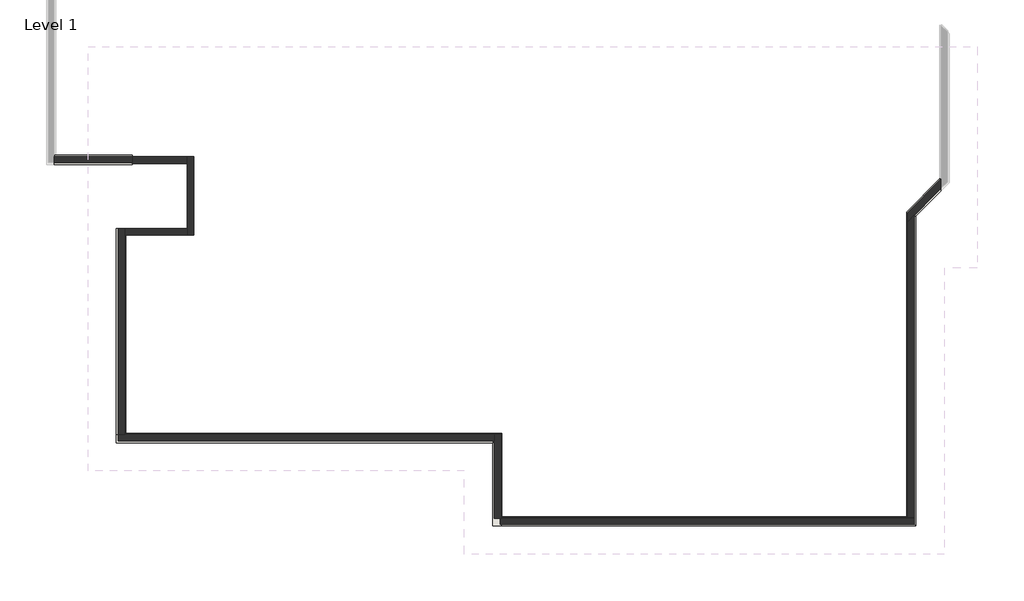
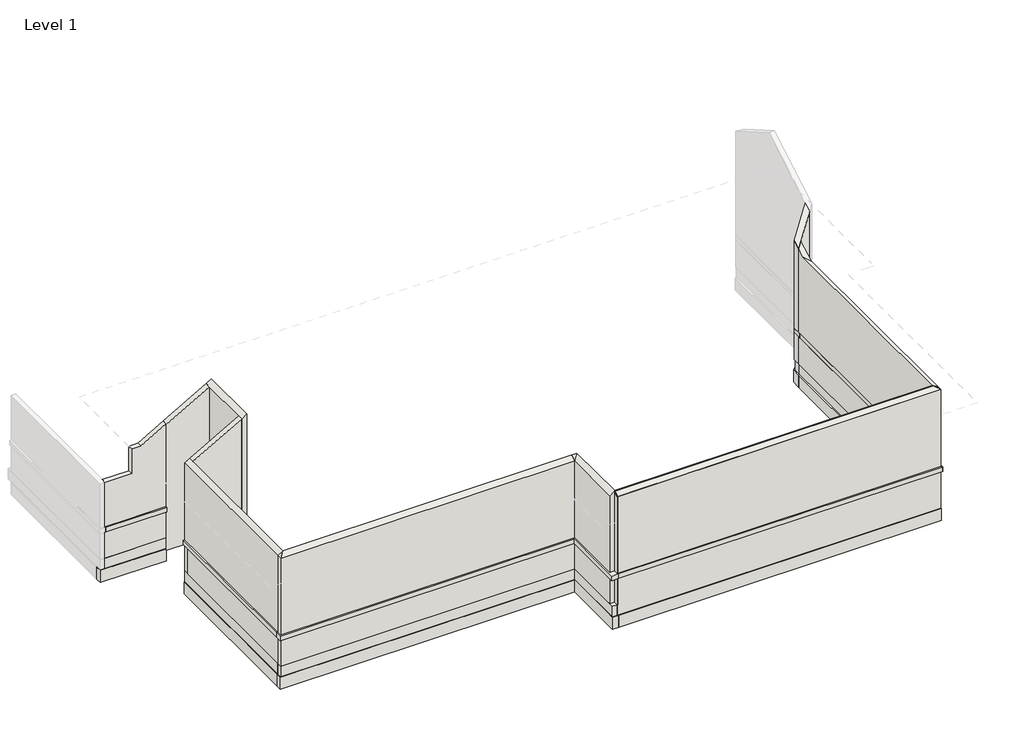
# One storey, part 1 of 2: 38 walls.
"""IFC4 building model written with IfcOpenShell, lengths in millimetres."""

from ifc_helpers import new_model, si_unit, frame, origin, origin_with_axes, place, context, project, spatial, polyline, outline, extrude, faceted_brep, element, save

model = new_model("IFC4")

# Units and contexts
model_context = context("Model", 3, world=origin())
ifc_project = project(units=[si_unit("LENGTHUNIT", "METRE", prefix="MILLI")], contexts=[model_context])

# Site, building, storey
site = spatial("IfcSite", under=ifc_project)
building = spatial("IfcBuilding", under=site)
storey = spatial("IfcBuildingStorey", under=building, Name="Level 1", Elevation=0.0)

# Walls
placement = place(None, origin())
element("IfcWall", 1, at=placement, inside=storey, context=model_context, shape_type="Brep", body=[
    faceted_brep([(-9482.9141778, 9087.0549221, 0.0), (-9482.9141778, 9102.0549221, 0.0), (-9482.9141778, 10637.0549221, 0.0), (-9482.9141778, 10637.0549221, 670.0), (-9482.9141778, 9087.0549221, 670.0), (-9607.9141778, 9087.0549221, 0.0), (-9607.9141778, 9087.0549221, 670.0), (-9607.9141778, 10512.0549221, 670.0), (-9607.9141778, 10637.0549221, 670.0), (-9607.9141778, 10637.0549221, 0.0), (-9607.9141778, 10622.0549221, 0.0), (-9607.9141778, 10512.0549221, 0.0)], [[[0, 1, 2, 3, 4]], [[5, 6, 7, 8, 9, 10, 11]], [[2, 1, 0, 5, 11, 10, 9]], [[0, 4, 6, 5]], [[3, 2, 9, 8]], [[4, 3, 8, 7, 6]]]),
])
element("IfcWall", 2, at=placement, inside=storey, context=model_context, shape_type="Brep", body=[
    faceted_brep([(-9482.9141778, 8947.0549221, 670.0), (-9482.9141778, 9087.0549221, 670.0), (-9482.9141778, 9102.0549221, 670.0), (-9482.9141778, 10637.0549221, 670.0), (-9482.9141778, 10637.0549221, 780.0), (-9482.9141778, 9102.0549221, 780.0), (-9482.9141778, 9087.0549221, 780.0), (-9482.9141778, 8947.0549221, 780.0), (-9637.9141778, 8947.0549221, 670.0), (-9637.9141778, 8947.0549221, 780.0), (-9637.9141778, 10482.0549221, 780.0), (-9637.9141778, 10637.0549221, 780.0), (-9637.9141778, 10637.0549221, 670.0), (-9637.9141778, 10482.0549221, 670.0), (-9607.9141778, 10637.0549221, 670.0), (-9607.9141778, 10637.0549221, 780.0)], [[[0, 1, 2, 3, 4, 5, 6, 7]], [[8, 9, 10, 11, 12, 13]], [[3, 2, 1, 0, 8, 13, 12, 14]], [[0, 7, 9, 8]], [[4, 3, 14, 12, 11, 15]], [[7, 6, 5, 4, 15, 11, 10, 9]]]),
])
element("IfcWall", 3, at=placement, inside=storey, context=model_context, shape_type="Brep", body=[
    faceted_brep([(-9482.9141778, 9087.0549221, 780.0), (-9482.9141778, 9102.0549221, 780.0), (-9482.9141778, 10637.0549221, 780.0), (-9482.9141778, 10637.0549221, 2763.3012702), (-9482.9141778, 9102.0549221, 2763.3012702), (-9482.9141778, 9087.0549221, 2754.6410162), (-9607.9141778, 9087.0549221, 780.0), (-9607.9141778, 9087.0549221, 2691.1324865), (-9607.9141778, 10512.0549221, 2691.1324865), (-9607.9141778, 10637.0549221, 2763.3012702), (-9607.9141778, 10637.0549221, 780.0), (-9607.9141778, 10512.0549221, 780.0), (-9497.9141778, 9087.0549221, 2754.6410162)], [[[0, 1, 2, 3, 4, 5]], [[6, 7, 8, 9, 10, 11]], [[2, 1, 0, 6, 11, 10]], [[3, 2, 10, 9]], [[0, 5, 12, 7, 6]], [[5, 4, 12]], [[4, 3, 8, 7, 12]], [[3, 9, 8]]]),
])
element("IfcWall", 4, at=placement, inside=storey, context=model_context, shape_type="Brep", body=[
    faceted_brep([(-9607.9141778, 10637.0549221, 0.0), (-16407.9141778, 10637.0549221, 0.0), (-16532.9141778, 10637.0549221, 0.0), (-16532.9141778, 10637.0549221, 670.0), (-16407.9141778, 10637.0549221, 670.0), (-9637.9141778, 10637.0549221, 670.0), (-9607.9141778, 10637.0549221, 670.0), (-9607.9141778, 10512.0549221, 0.0), (-9607.9141778, 10512.0549221, 670.0), (-16532.9141778, 10512.0549221, 670.0), (-16532.9141778, 10512.0549221, 0.0), (-9607.9141778, 10622.0549221, 0.0), (-16532.9141778, 10622.0549221, 0.0)], [[[0, 1, 2, 3, 4, 5, 6]], [[7, 8, 9, 10]], [[2, 1, 0, 11, 7, 10, 12]], [[0, 6, 8, 7, 11]], [[3, 2, 12, 10, 9]], [[6, 5, 4, 3, 9, 8]]]),
])
element("IfcWall", 5, at=placement, inside=storey, context=model_context, shape_type="Brep", body=[
    faceted_brep([(-9637.9141778, 10637.0549221, 670.0), (-16407.9141778, 10637.0549221, 670.0), (-16532.9141778, 10637.0549221, 670.0), (-16562.9141778, 10637.0549221, 670.0), (-16562.9141778, 10637.0549221, 780.0), (-16532.9141778, 10637.0549221, 780.0), (-16407.9141778, 10637.0549221, 780.0), (-9637.9141778, 10637.0549221, 780.0), (-9637.9141778, 10482.0549221, 670.0), (-9637.9141778, 10482.0549221, 780.0), (-16562.9141778, 10482.0549221, 780.0), (-16562.9141778, 10482.0549221, 670.0)], [[[0, 1, 2, 3, 4, 5, 6, 7]], [[8, 9, 10, 11]], [[3, 2, 1, 0, 8, 11]], [[0, 7, 9, 8]], [[4, 3, 11, 10]], [[7, 6, 5, 4, 10, 9]]]),
])
element("IfcWall", 6, at=placement, inside=storey, context=model_context, shape_type="Brep", body=[
    faceted_brep([(-9607.9141778, 10637.0549221, 780.0), (-9637.9141778, 10637.0549221, 780.0), (-16407.9141778, 10637.0549221, 780.0), (-16532.9141778, 10637.0549221, 780.0), (-16532.9141778, 10637.0549221, 2691.1324865), (-16407.9141778, 10637.0549221, 2763.3012702), (-9607.9141778, 10637.0549221, 2763.3012702), (-9607.9141778, 10512.0549221, 780.0), (-9607.9141778, 10512.0549221, 2691.1324865), (-16532.9141778, 10512.0549221, 2691.1324865), (-16532.9141778, 10512.0549221, 780.0)], [[[0, 1, 2, 3, 4, 5, 6]], [[7, 8, 9, 10]], [[3, 2, 1, 0, 7, 10]], [[0, 6, 8, 7]], [[4, 3, 10, 9]], [[6, 5, 9, 8]], [[5, 4, 9]]]),
])
element("IfcWall", 7, at=placement, inside=storey, context=model_context, shape_type="Brep", body=[
    faceted_brep([(-16407.9141778, 10637.0549221, 0.0), (-16407.9141778, 14301.8512875, 0.0), (-16407.9141778, 14301.8512875, 670.0), (-16407.9141778, 10637.0549221, 670.0), (-16532.9141778, 10637.0549221, 0.0), (-16532.9141778, 10637.0549221, 670.0), (-16532.9141778, 14301.8512875, 670.0), (-16532.9141778, 14301.8512875, 0.0), (-16422.9141778, 14301.8512875, 0.0)], [[[0, 1, 2, 3]], [[4, 5, 6, 7]], [[1, 0, 4, 7, 8]], [[2, 1, 8, 7, 6]], [[0, 3, 5, 4]], [[3, 2, 6, 5]]]),
])
element("IfcWall", 8, at=placement, inside=storey, context=model_context, shape_type="Brep", body=[
    faceted_brep([(-16407.9141778, 10637.0549221, 670.0), (-16407.9141778, 14301.8512875, 670.0), (-16407.9141778, 14426.8512875, 670.0), (-16407.9141778, 14426.8512875, 780.0), (-16407.9141778, 10637.0549221, 780.0), (-16562.9141778, 10637.0549221, 670.0), (-16562.9141778, 10637.0549221, 780.0), (-16562.9141778, 14426.8512875, 780.0), (-16562.9141778, 14426.8512875, 670.0), (-16532.9141778, 10637.0549221, 670.0), (-16532.9141778, 14426.8512875, 670.0), (-16532.9141778, 14426.8512875, 780.0), (-16532.9141778, 10637.0549221, 780.0)], [[[0, 1, 2, 3, 4]], [[5, 6, 7, 8]], [[2, 1, 0, 9, 5, 8, 10]], [[3, 2, 10, 8, 7, 11]], [[0, 4, 12, 6, 5, 9]], [[4, 3, 11, 7, 6, 12]]]),
])
element("IfcWall", 9, at=placement, inside=storey, context=model_context, shape_type="Brep", body=[
    faceted_brep([(-16407.9141778, 10637.0549221, 780.0), (-16407.9141778, 14426.8512875, 780.0), (-16407.9141778, 14426.8512875, 2763.3012702), (-16407.9141778, 14301.8512875, 2763.3012702), (-16407.9141778, 10637.0549221, 2763.3012702), (-16532.9141778, 10637.0549221, 780.0), (-16532.9141778, 10637.0549221, 2691.1324865), (-16532.9141778, 14426.8512875, 2691.1324865), (-16532.9141778, 14426.8512875, 780.0)], [[[0, 1, 2, 3, 4]], [[5, 6, 7, 8]], [[1, 0, 5, 8]], [[2, 1, 8, 7]], [[0, 4, 6, 5]], [[4, 3, 2, 7, 6]]]),
])
element("IfcWall", 10, at=placement, inside=storey, context=model_context, shape_type="Brep", body=[
    faceted_brep([(-16392.9141778, 14301.8512875, -300.0), (-15262.9141778, 14301.8512875, -300.0), (-15262.9141778, 14301.8512875, 3424.3673284), (-16407.9141778, 14301.8512875, 2763.3012702), (-16407.9141778, 14301.8512875, 670.0), (-16532.9141778, 14301.8512875, 670.0), (-16532.9141778, 14301.8512875, 0.0), (-16422.9141778, 14301.8512875, 0.0), (-16422.9141778, 14301.8512875, -260.0), (-16392.9141778, 14301.8512875, -260.0), (-15262.9141778, 14426.8512875, -300.0), (-16392.9141778, 14426.8512875, -300.0), (-16392.9141778, 14426.8512875, -260.0), (-16422.9141778, 14426.8512875, -260.0), (-16422.9141778, 14426.8512875, 0.0), (-16532.9141778, 14426.8512875, 0.0), (-16532.9141778, 14426.8512875, 670.0), (-16407.9141778, 14426.8512875, 670.0), (-16407.9141778, 14426.8512875, 780.0), (-16407.9141778, 14426.8512875, 2763.3012702), (-15262.9141778, 14426.8512875, 3424.3673284)], [[[0, 1, 2, 3, 4, 5, 6, 7, 8, 9]], [[10, 11, 12, 13, 14, 15, 16, 17, 18, 19, 20]], [[1, 0, 11, 10]], [[2, 1, 10, 20]], [[13, 12, 9, 8]], [[15, 14, 7, 6]], [[17, 16, 5, 4]], [[0, 9, 12, 11]], [[8, 7, 14, 13]], [[6, 5, 16, 15]], [[17, 4, 3, 19, 18]], [[3, 2, 20, 19]]]),
])
element("IfcWall", 11, at=placement, inside=storey, context=model_context, shape_type="Brep", body=[
    faceted_brep([(-15137.9141778, 14301.8512875, -300.0), (-15137.9141778, 15746.8512875, -300.0), (-15137.9141778, 15746.8512875, 3496.5361121), (-15137.9141778, 14301.8512875, 3496.5361121), (-15262.9141778, 15746.8512875, -300.0), (-15262.9141778, 15616.8512875, -300.0), (-15262.9141778, 14426.8512875, -300.0), (-15262.9141778, 14301.8512875, -300.0), (-15262.9141778, 14301.8512875, 3424.3673284), (-15262.9141778, 14426.8512875, 3424.3673284), (-15262.9141778, 15616.8512875, 3424.3673284), (-15262.9141778, 15746.8512875, 3424.3673284)], [[[0, 1, 2, 3]], [[4, 5, 6, 7, 8, 9, 10, 11]], [[1, 0, 7, 6, 5, 4]], [[7, 0, 3, 8]], [[2, 1, 4, 11]], [[3, 2, 11, 10, 9, 8]]]),
])
element("IfcWall", 12, at=placement, inside=storey, context=model_context, shape_type="Brep", body=[
    faceted_brep([(-15262.9141778, 15746.8512875, -300.0), (-16273.0444316, 15746.8512875, -300.0), (-16273.0444316, 15746.8512875, 670.0), (-16273.0444316, 15746.8512875, 780.0), (-16273.0444316, 15746.8512875, 2841.1683545), (-15262.9141778, 15746.8512875, 3424.3673284), (-15262.9141778, 15616.8512875, -300.0), (-15262.9141778, 15616.8512875, 3424.3673284), (-16273.0444316, 15616.8512875, 2841.1683545), (-16273.0444316, 15616.8512875, -300.0), (-16273.0444316, 15636.8512875, 2841.1683545)], [[[0, 1, 2, 3, 4, 5]], [[6, 7, 8, 9]], [[1, 0, 6, 9]], [[0, 5, 7, 6]], [[1, 9, 8, 10, 4, 3, 2]], [[5, 4, 10, 8, 7]]]),
])
element("IfcWall", 13, at=placement, inside=storey, context=model_context, shape_type="Brep", body=[
    faceted_brep([(-16422.9141778, 10622.0549221, -260.0), (-16422.9141778, 14301.8512875, -260.0), (-16422.9141778, 14426.8512875, -260.0), (-16422.9141778, 14426.8512875, 0.0), (-16422.9141778, 14301.8512875, 0.0), (-16422.9141778, 10622.0549221, 0.0), (-16532.9141778, 10622.0549221, -260.0), (-16532.9141778, 10622.0549221, 0.0), (-16532.9141778, 10637.0549221, 0.0), (-16532.9141778, 14301.8512875, 0.0), (-16532.9141778, 14426.8512875, 0.0), (-16532.9141778, 14426.8512875, -260.0)], [[[0, 1, 2, 3, 4, 5]], [[6, 7, 8, 9, 10, 11]], [[2, 1, 0, 6, 11]], [[3, 2, 11, 10]], [[0, 5, 7, 6]], [[5, 4, 3, 10, 9, 8, 7]]]),
])
element("IfcWall", 14, at=placement, inside=storey, context=model_context, shape_type="Brep", body=[
    faceted_brep([(-9607.9141778, 10622.0549221, -260.0), (-16422.9141778, 10622.0549221, -260.0), (-16532.9141778, 10622.0549221, -260.0), (-16532.9141778, 10622.0549221, 0.0), (-16422.9141778, 10622.0549221, 0.0), (-9607.9141778, 10622.0549221, 0.0), (-9607.9141778, 10512.0549221, -260.0), (-9607.9141778, 10512.0549221, 0.0), (-16532.9141778, 10512.0549221, 0.0), (-16532.9141778, 10512.0549221, -260.0)], [[[0, 1, 2, 3, 4, 5]], [[6, 7, 8, 9]], [[2, 1, 0, 6, 9]], [[0, 5, 7, 6]], [[3, 2, 9, 8]], [[5, 4, 3, 8, 7]]]),
])
element("IfcWall", 15, at=placement, inside=storey, context=model_context, shape_type="Brep", body=[
    faceted_brep([(-9497.9141778, 8977.0549221, -260.0), (-9497.9141778, 9087.0549221, -260.0), (-9497.9141778, 10622.0549221, -260.0), (-9497.9141778, 10622.0549221, 0.0), (-9497.9141778, 8977.0549221, 0.0), (-9607.9141778, 8977.0549221, -260.0), (-9607.9141778, 8977.0549221, 0.0), (-9607.9141778, 9087.0549221, 0.0), (-9607.9141778, 10512.0549221, 0.0), (-9607.9141778, 10622.0549221, 0.0), (-9607.9141778, 10622.0549221, -260.0), (-9607.9141778, 10512.0549221, -260.0)], [[[0, 1, 2, 3, 4]], [[5, 6, 7, 8, 9, 10, 11]], [[2, 1, 0, 5, 11, 10]], [[0, 4, 6, 5]], [[3, 2, 10, 9]], [[4, 3, 9, 8, 7, 6]]]),
])
element("IfcWall", 16, at=placement, inside=storey, context=model_context, shape_type="Brep", body=[
    faceted_brep([(-1377.9483285, 15328.4104976, -260.0), (-1990.0766646, 14716.2821615, -260.0), (-1990.0766646, 14716.2821615, 0.0), (-1377.9483285, 15328.4104976, 0.0), (-1377.9483285, 15172.8470057, -260.0), (-1377.9483285, 15172.8470057, 0.0), (-1392.9483285, 15157.8470057, 0.0), (-1880.0766646, 14670.7186696, 0.0), (-1990.0766646, 14560.7186696, 0.0), (-1990.0766646, 14560.7186696, -260.0), (-1880.0766646, 14670.7186696, -260.0)], [[[0, 1, 2, 3]], [[4, 5, 6, 7, 8, 9, 10]], [[1, 0, 4, 10, 9]], [[0, 3, 5, 4]], [[2, 1, 9, 8]], [[3, 2, 8, 7, 6, 5]]]),
])
element("IfcWall", 17, at=placement, inside=storey, context=model_context, shape_type="Brep", body=[
    faceted_brep([(-1392.9483285, 15334.623701, 0.0), (-2005.0766646, 14722.4953649, 0.0), (-2005.0766646, 14722.4953649, 670.0), (-1392.9483285, 15334.623701, 670.0), (-1392.9483285, 15157.8470057, 0.0), (-1392.9483285, 15157.8470057, 670.0), (-1880.0766646, 14670.7186696, 670.0), (-2005.0766646, 14545.7186696, 670.0), (-2005.0766646, 14545.7186696, 0.0), (-1990.0766646, 14560.7186696, 0.0), (-1880.0766646, 14670.7186696, 0.0)], [[[0, 1, 2, 3]], [[4, 5, 6, 7, 8, 9, 10]], [[1, 0, 4, 10, 9, 8]], [[0, 3, 5, 4]], [[2, 1, 8, 7]], [[3, 2, 7, 6, 5]]]),
])
element("IfcWall", 18, at=placement, inside=storey, context=model_context, shape_type="Brep", body=[
    faceted_brep([(-1392.9483285, 15334.623701, 670.0), (-2005.0766646, 14722.4953649, 670.0), (-2005.0766646, 14722.4953649, 780.0), (-1392.9483285, 15334.623701, 780.0), (-1392.9483285, 15115.4205989, 670.0), (-1392.9483285, 15115.4205989, 780.0), (-1850.0766646, 14658.2922627, 780.0), (-2005.0766646, 14503.2922627, 780.0), (-2005.0766646, 14503.2922627, 670.0), (-1850.0766646, 14658.2922627, 670.0), (-1392.9483285, 15157.8470057, 670.0), (-2005.0766646, 14545.7186696, 670.0), (-1392.9483285, 15157.8470057, 780.0), (-2005.0766646, 14545.7186696, 780.0)], [[[0, 1, 2, 3]], [[4, 5, 6, 7, 8, 9]], [[1, 0, 10, 4, 9, 8, 11]], [[0, 3, 12, 5, 4, 10]], [[2, 1, 11, 8, 7, 13]], [[3, 2, 13, 7, 6, 5, 12]]]),
])
element("IfcWall", 19, at=placement, inside=storey, context=model_context, shape_type="Brep", body=[
    faceted_brep([(-1392.9483285, 15334.623701, 780.0), (-2005.0766646, 14722.4953649, 780.0), (-2005.0766646, 14722.4953649, 2962.8589713), (-1392.9483285, 15334.623701, 3316.2714309), (-1392.9483285, 15157.8470057, 780.0), (-1392.9483285, 15157.8470057, 3214.2093583), (-1880.0766646, 14670.7186696, 2932.9656823), (-2005.0766646, 14545.7186696, 2860.7968987), (-2005.0766646, 14545.7186696, 780.0), (-1880.0766646, 14670.7186696, 780.0)], [[[0, 1, 2, 3]], [[4, 5, 6, 7, 8, 9]], [[1, 0, 4, 9, 8]], [[0, 3, 5, 4]], [[2, 1, 8, 7]], [[3, 2, 7, 6, 5]]]),
])
element("IfcWall", 20, at=placement, inside=storey, context=model_context, shape_type="Brep", body=[
    faceted_brep([(-1990.0766646, 14560.7186696, -260.0), (-1990.0766646, 9087.0549221, -260.0), (-1990.0766646, 9087.0549221, 0.0), (-1990.0766646, 14560.7186696, 0.0), (-1880.0766646, 14670.7186696, -260.0), (-1880.0766646, 14670.7186696, 0.0), (-1880.0766646, 9102.0549221, 0.0), (-1880.0766646, 9087.0549221, 0.0), (-1880.0766646, 9087.0549221, -260.0)], [[[0, 1, 2, 3]], [[4, 5, 6, 7, 8]], [[1, 0, 4, 8]], [[0, 3, 5, 4]], [[2, 1, 8, 7]], [[3, 2, 7, 6, 5]]]),
])
element("IfcWall", 21, at=placement, inside=storey, context=model_context, shape_type="Brep", body=[
    faceted_brep([(-2005.0766646, 14545.7186696, 0.0), (-2005.0766646, 9102.0549221, 0.0), (-2005.0766646, 9102.0549221, 670.0), (-2005.0766646, 14503.2922627, 670.0), (-2005.0766646, 14545.7186696, 670.0), (-1880.0766646, 14670.7186696, 0.0), (-1880.0766646, 14670.7186696, 670.0), (-1880.0766646, 9102.0549221, 670.0), (-1880.0766646, 9102.0549221, 0.0), (-1990.0766646, 14560.7186696, 0.0)], [[[0, 1, 2, 3, 4]], [[5, 6, 7, 8]], [[1, 0, 9, 5, 8]], [[0, 4, 6, 5, 9]], [[2, 1, 8, 7]], [[4, 3, 2, 7, 6]]]),
])
element("IfcWall", 22, at=placement, inside=storey, context=model_context, shape_type="SweptSolid", body=[
    extrude(outline(polyline([(-2005.0766646, 9102.0549221), (-2005.0766646, 14503.2922627), (-1850.0766646, 14658.2922627), (-1850.0766646, 8947.0549221), (-2005.0766646, 9102.0549221)])), frame((0.0, 0.0, 670.0), z_axis=(0.0, 0.0, 1.0), x_axis=(1.0, 0.0, 0.0)), (0.0, 0.0, 1.0), 110.0),
])
element("IfcWall", 23, at=placement, inside=storey, context=model_context, shape_type="Brep", body=[
    faceted_brep([(-2005.0766646, 14545.7186696, 780.0), (-2005.0766646, 14503.2922627, 780.0), (-2005.0766646, 9102.0549221, 780.0), (-2005.0766646, 9102.0549221, 2763.3012702), (-2005.0766646, 14376.8512875, 2763.3012702), (-2005.0766646, 14545.7186696, 2860.7968987), (-1880.0766646, 14670.7186696, 780.0), (-1880.0766646, 14670.7186696, 2932.9656823), (-1880.0766646, 14251.8512875, 2691.1324865), (-1880.0766646, 9102.0549221, 2691.1324865), (-1880.0766646, 9102.0549221, 780.0)], [[[0, 1, 2, 3, 4, 5]], [[6, 7, 8, 9, 10]], [[2, 1, 0, 6, 10]], [[0, 5, 7, 6]], [[3, 2, 10, 9]], [[5, 4, 8, 7]], [[4, 3, 9, 8]]]),
])
element("IfcWall", 24, at=placement, inside=storey, context=model_context, shape_type="SweptSolid", body=[
    extrude(outline(polyline([(-16273.0444316, 15636.8512875), (-17708.0444316, 15636.8512875), (-17708.0444316, 15746.8512875), (-16273.0444316, 15746.8512875), (-16273.0444316, 15636.8512875)])), frame((0.0, 0.0, -260.0), z_axis=(0.0, 0.0, 1.0), x_axis=(1.0, 0.0, 0.0)), (0.0, 0.0, 1.0), 260.0),
])
element("IfcWall", 25, at=placement, inside=storey, context=model_context, shape_type="SweptSolid", body=[
    extrude(outline(polyline([(-16273.0444316, 15636.8512875), (-17708.0444316, 15636.8512875), (-17708.0444316, 15746.8512875), (-16273.0444316, 15746.8512875), (-16273.0444316, 15636.8512875)])), origin_with_axes(), (0.0, 0.0, 1.0), 670.0),
])
element("IfcWall", 26, at=placement, inside=storey, context=model_context, shape_type="Brep", body=[
    faceted_brep([(-17708.0444316, 15606.8512875, 670.0), (-16273.0444316, 15606.8512875, 670.0), (-16273.0444316, 15606.8512875, 780.0), (-17708.0444316, 15606.8512875, 780.0), (-17708.0444316, 15746.8512875, 670.0), (-17708.0444316, 15746.8512875, 780.0), (-16273.0444316, 15746.8512875, 780.0), (-16273.0444316, 15746.8512875, 670.0), (-17708.0444316, 15636.8512875, 670.0), (-16273.0444316, 15636.8512875, 670.0), (-16273.0444316, 15636.8512875, 780.0), (-17708.0444316, 15636.8512875, 780.0)], [[[0, 1, 2, 3]], [[4, 5, 6, 7]], [[1, 0, 8, 4, 7, 9]], [[2, 1, 9, 7, 6, 10]], [[0, 3, 11, 5, 4, 8]], [[3, 2, 10, 6, 5, 11]]]),
])
element("IfcWall", 27, at=placement, inside=storey, context=model_context, shape_type="Brep", body=[
    faceted_brep([(-9497.9141778, 8977.0549221, -260.0), (-1880.0766646, 8977.0549221, -260.0), (-1880.0766646, 8977.0549221, 2691.1324865), (-9497.9141778, 8977.0549221, 2691.1324865), (-9497.9141778, 8977.0549221, 0.0), (-9497.9141778, 9087.0549221, -260.0), (-9497.9141778, 9087.0549221, 2754.6410162), (-9482.9141778, 9087.0549221, 2754.6410162), (-1990.0766646, 9087.0549221, 2754.6410162), (-1880.0766646, 9087.0549221, 2691.1324865), (-1880.0766646, 9087.0549221, 0.0), (-1880.0766646, 9087.0549221, -260.0), (-1990.0766646, 9087.0549221, -260.0)], [[[0, 1, 2, 3, 4]], [[5, 6, 7, 8, 9, 10, 11, 12]], [[1, 0, 5, 12, 11]], [[2, 1, 11, 10, 9]], [[0, 4, 3, 6, 5]], [[3, 2, 8, 7, 6]], [[2, 9, 8]]]),
])
element("IfcWall", 28, at=placement, inside=storey, context=model_context, shape_type="Brep", body=[
    faceted_brep([(-9482.9141778, 8977.0549221, 0.0), (-1880.0766646, 8977.0549221, 0.0), (-1880.0766646, 8977.0549221, 2691.1324865), (-9482.9141778, 8977.0549221, 2691.1324865), (-9482.9141778, 9102.0549221, 0.0), (-9482.9141778, 9102.0549221, 2763.3012702), (-2005.0766646, 9102.0549221, 2763.3012702), (-1880.0766646, 9102.0549221, 2691.1324865), (-1880.0766646, 9102.0549221, 670.0), (-1880.0766646, 9102.0549221, 0.0), (-2005.0766646, 9102.0549221, 0.0), (-9482.9141778, 9087.0549221, 0.0)], [[[0, 1, 2, 3]], [[4, 5, 6, 7, 8, 9, 10]], [[1, 0, 11, 4, 10, 9]], [[2, 1, 9, 8, 7]], [[0, 3, 5, 4, 11]], [[3, 2, 6, 5]], [[2, 7, 6]]]),
])
element("IfcWall", 29, at=placement, inside=storey, context=model_context, shape_type="Brep", body=[
    faceted_brep([(-9482.9141778, 8947.0549221, 670.0), (-1850.0766646, 8947.0549221, 670.0), (-1850.0766646, 8947.0549221, 780.0), (-9482.9141778, 8947.0549221, 780.0), (-9482.9141778, 9102.0549221, 670.0), (-9482.9141778, 9102.0549221, 780.0), (-2005.0766646, 9102.0549221, 780.0), (-2005.0766646, 9102.0549221, 670.0), (-1880.0766646, 8977.0549221, 780.0)], [[[0, 1, 2, 3]], [[4, 5, 6, 7]], [[1, 0, 4, 7]], [[3, 2, 8, 6, 5]], [[0, 3, 5, 4]], [[2, 1, 7, 6, 8]]]),
])
element("IfcWall", 30, at=placement, inside=storey, context=model_context, shape_type="Brep", body=[
    faceted_brep([(-9482.9141778, 8977.0549221, 780.0), (-1880.0766646, 8977.0549221, 780.0), (-1880.0766646, 8977.0549221, 2691.1324865), (-9482.9141778, 8977.0549221, 2691.1324865), (-9482.9141778, 9102.0549221, 780.0), (-9482.9141778, 9102.0549221, 2763.3012702), (-2005.0766646, 9102.0549221, 2763.3012702), (-2005.0766646, 9102.0549221, 780.0), (-9482.9141778, 9087.0549221, 780.0), (-9482.9141778, 9087.0549221, 2754.6410162)], [[[0, 1, 2, 3]], [[4, 5, 6, 7]], [[1, 0, 8, 4, 7]], [[0, 3, 9, 5, 4, 8]], [[2, 1, 7, 6]], [[3, 2, 6, 5, 9]]]),
])
element("IfcWall", 31, ObjectType="110Br", at=placement, inside=storey, context=model_context, shape_type="SweptSolid", body=[
    extrude(outline(polyline([(780.0, -17708.0444316), (780.0, -16273.0444316), (2841.1683545, -16273.0444316), (2501.4692564, -16861.4205287), (2501.4692564, -17082.9141778), (1890.0, -17082.9141778), (1890.0, -17708.0444316), (780.0, -17708.0444316)])), frame((0.0, 15636.8512875, 0.0), z_axis=(0.0, 1.0, 0.0), x_axis=(0.0, 0.0, 1.0)), (0.0, 0.0, 1.0), 110.0),
])
element("IfcWall", 32, ObjectType="Foundation - 150mm Concrete", at=placement, inside=storey, context=model_context, shape_type="Brep", body=[
    faceted_brep([(-9467.9141778, 8967.0549221, -560.0), (-9467.9141778, 9117.0549221, -560.0), (-9467.9141778, 10502.0549221, -560.0), (-9467.9141778, 10502.0549221, -260.0), (-9467.9141778, 9117.0549221, -260.0), (-9467.9141778, 8967.0549221, -260.0), (-9617.9141778, 8967.0549221, -560.0), (-9617.9141778, 8967.0549221, -260.0), (-9617.9141778, 10502.0549221, -260.0), (-9617.9141778, 10502.0549221, -560.0)], [[[0, 1, 2, 3, 4, 5]], [[6, 7, 8, 9]], [[2, 1, 0, 6, 9]], [[3, 2, 9, 8]], [[0, 5, 7, 6]], [[5, 4, 3, 8, 7]]]),
])
element("IfcWall", 33, ObjectType="Foundation - 150mm Concrete", at=placement, inside=storey, context=model_context, shape_type="Brep", body=[
    faceted_brep([(-9467.9141778, 10652.0549221, -560.0), (-16392.9141778, 10652.0549221, -560.0), (-16542.9141778, 10652.0549221, -560.0), (-16542.9141778, 10652.0549221, -260.0), (-16392.9141778, 10652.0549221, -260.0), (-9467.9141778, 10652.0549221, -260.0), (-9467.9141778, 10502.0549221, -560.0), (-9467.9141778, 10502.0549221, -260.0), (-9617.9141778, 10502.0549221, -260.0), (-16542.9141778, 10502.0549221, -260.0), (-16542.9141778, 10502.0549221, -560.0), (-9617.9141778, 10502.0549221, -560.0)], [[[0, 1, 2, 3, 4, 5]], [[6, 7, 8, 9, 10, 11]], [[2, 1, 0, 6, 11, 10]], [[0, 5, 7, 6]], [[3, 2, 10, 9]], [[5, 4, 3, 9, 8, 7]]]),
])
element("IfcWall", 34, ObjectType="Foundation - 150mm Concrete", at=placement, inside=storey, context=model_context, shape_type="Brep", body=[
    faceted_brep([(-16392.9141778, 10652.0549221, -560.0), (-16392.9141778, 14426.8512875, -560.0), (-16392.9141778, 14426.8512875, -300.0), (-16392.9141778, 14426.8512875, -260.0), (-16392.9141778, 14301.8512875, -260.0), (-16392.9141778, 10652.0549221, -260.0), (-16542.9141778, 10652.0549221, -560.0), (-16542.9141778, 10652.0549221, -260.0), (-16542.9141778, 14426.8512875, -260.0), (-16542.9141778, 14426.8512875, -560.0), (-16532.9141778, 14426.8512875, -260.0), (-16422.9141778, 14426.8512875, -260.0)], [[[0, 1, 2, 3, 4, 5]], [[6, 7, 8, 9]], [[1, 0, 6, 9]], [[3, 2, 1, 9, 8, 10, 11]], [[0, 5, 7, 6]], [[5, 4, 3, 11, 10, 8, 7]]]),
])
element("IfcWall", 35, ObjectType="Foundation - 150mm Concrete", at=placement, inside=storey, context=model_context, shape_type="Brep", body=[
    faceted_brep([(-1407.9483285, 15340.8369045, -560.0), (-2020.0766646, 14728.7085683, -560.0), (-2020.0766646, 14728.7085683, -260.0), (-1407.9483285, 15340.8369045, -260.0), (-1407.9483285, 15128.7048701, -560.0), (-1407.9483285, 15128.7048701, -260.0), (-1870.0766646, 14666.576534, -260.0), (-2020.0766646, 14516.576534, -260.0), (-2020.0766646, 14516.576534, -560.0), (-1870.0766646, 14666.576534, -560.0)], [[[0, 1, 2, 3]], [[4, 5, 6, 7, 8, 9]], [[1, 0, 4, 9, 8]], [[0, 3, 5, 4]], [[2, 1, 8, 7]], [[3, 2, 7, 6, 5]]]),
])
element("IfcWall", 36, ObjectType="Foundation - 150mm Concrete", at=placement, inside=storey, context=model_context, shape_type="SweptSolid", body=[
    extrude(outline(polyline([(-2020.0766646, 9117.0549221), (-2020.0766646, 14516.576534), (-1870.0766646, 14666.576534), (-1870.0766646, 9117.0549221), (-2020.0766646, 9117.0549221)])), frame((0.0, 0.0, -560.0), z_axis=(0.0, 0.0, 1.0), x_axis=(1.0, 0.0, 0.0)), (0.0, 0.0, 1.0), 300.0),
])
element("IfcWall", 37, ObjectType="Foundation - 150mm Concrete", at=placement, inside=storey, context=model_context, shape_type="Brep", body=[
    faceted_brep([(-17828.0444316, 15626.8512875, -560.0), (-16273.0444316, 15626.8512875, -560.0), (-16273.0444316, 15626.8512875, -260.0), (-17828.0444316, 15626.8512875, -260.0), (-17828.0444316, 15776.8512875, -560.0), (-17828.0444316, 15776.8512875, -260.0), (-17678.0444316, 15776.8512875, -260.0), (-16273.0444316, 15776.8512875, -260.0), (-16273.0444316, 15776.8512875, -560.0), (-17678.0444316, 15776.8512875, -560.0), (-16273.0444316, 15746.8512875, -260.0), (-16273.0444316, 15636.8512875, -260.0)], [[[0, 1, 2, 3]], [[4, 5, 6, 7, 8, 9]], [[1, 0, 4, 9, 8]], [[2, 1, 8, 7, 10, 11]], [[0, 3, 5, 4]], [[3, 2, 11, 10, 7, 6, 5]]]),
])
element("IfcWall", 38, ObjectType="Foundation - 150mm Concrete", at=placement, inside=storey, context=model_context, shape_type="Brep", body=[
    faceted_brep([(-9467.9141778, 8967.0549221, -560.0), (-1870.0766646, 8967.0549221, -560.0), (-1870.0766646, 8967.0549221, -260.0), (-9467.9141778, 8967.0549221, -260.0), (-9467.9141778, 9117.0549221, -560.0), (-9467.9141778, 9117.0549221, -260.0), (-2020.0766646, 9117.0549221, -260.0), (-1870.0766646, 9117.0549221, -260.0), (-1870.0766646, 9117.0549221, -560.0), (-2020.0766646, 9117.0549221, -560.0)], [[[0, 1, 2, 3]], [[4, 5, 6, 7, 8, 9]], [[1, 0, 4, 9, 8]], [[3, 2, 7, 6, 5]], [[2, 1, 8, 7]], [[0, 3, 5, 4]]]),
])

save(model, "model.ifc")
